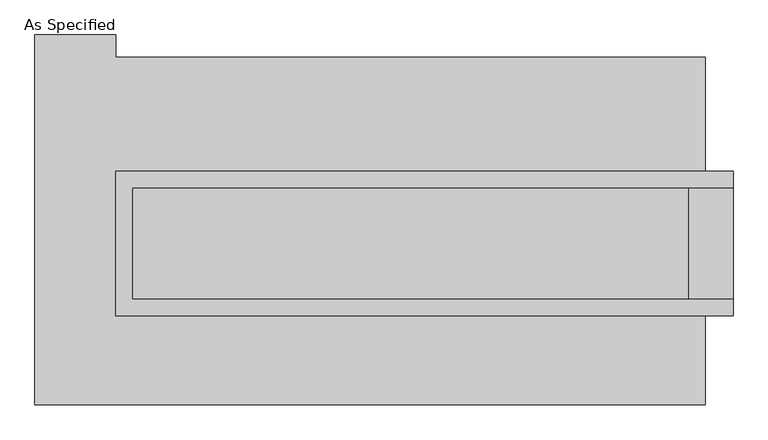
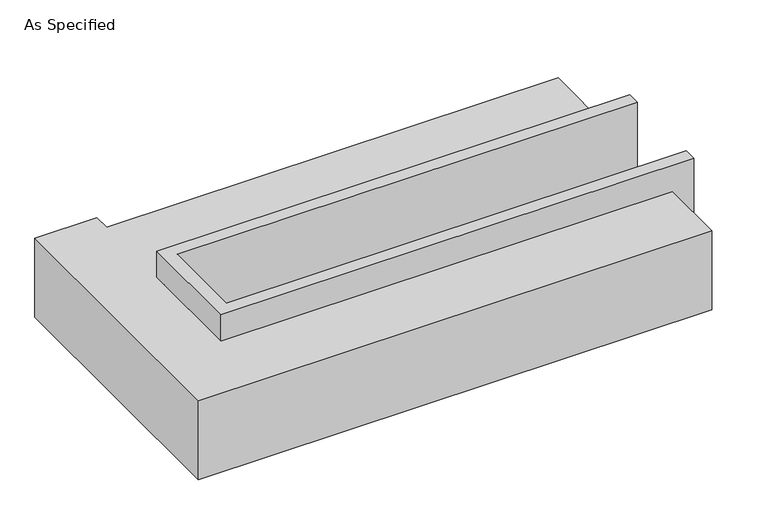
"""IFC4 building model written with IfcOpenShell, lengths in millimetres: proxy geometry, As Specified."""

from ifc_helpers import new_model, si_unit, origin, place, context, project, spatial, faceted_brep, source, transform, mapped, element, save


def as_specified_915f144d(model_context):
    return source(origin(), model_context, "Body", "Brep", [
        faceted_brep([(-1263.65, 273.05, 139.7), (-1263.65, 273.05, -393.7), (-1263.65, 196.85, -393.7), (-1263.65, 196.85, -25.4), (-1263.65, -311.15, -25.4), (-1263.65, -311.15, -393.7), (-1263.65, -387.35, -393.7), (-1263.65, -387.35, 139.7), (1555.75, 196.85, 139.7), (1555.75, 196.85, -317.5), (1555.75, -311.15, -317.5), (1555.75, -311.15, 139.7), (1555.75, -387.35, 139.7), (1555.75, -387.35, -393.7), (1555.75, 273.05, -393.7), (1555.75, 273.05, 139.7), (-1187.45, -311.15, 139.7), (-1187.45, 196.85, 139.7), (1352.55, -311.15, -393.7), (1352.55, 196.85, -393.7), (1352.55, -311.15, -317.5), (-1187.45, -311.15, -25.4), (1352.55, 196.85, -317.5), (-1187.45, 196.85, -25.4)], [[[0, 1, 2, 3, 4, 5, 6, 7]], [[8, 9, 10, 11, 12, 13, 14, 15]], [[0, 7, 12, 11, 16, 17, 8, 15]], [[1, 0, 15, 14]], [[14, 13, 6, 5, 18, 19, 2, 1]], [[7, 6, 13, 12]], [[11, 10, 20, 18, 5, 4, 21, 16]], [[10, 9, 22, 20]], [[9, 8, 17, 23, 3, 2, 19, 22]], [[18, 20, 22, 19]], [[23, 21, 4, 3]], [[17, 16, 21, 23]]]),
        faceted_brep([(1428.75, -793.75, -523.9742188), (-1631.95, -793.75, -523.9742188), (-1631.95, 895.35, -523.9742188), (-1263.65, 895.35, -523.9742188), (-1263.65, 793.75, -523.9742188), (1428.75, 793.75, -523.9742188), (-1631.95, -793.75, -25.4), (1428.75, -793.75, -25.4), (1428.75, -387.35, -25.4), (-1263.65, -387.35, -25.4), (-1263.65, 273.05, -25.4), (1428.75, 273.05, -25.4), (1428.75, 793.75, -25.4), (-1263.65, 793.75, -25.4), (-1263.65, 895.35, -25.4), (-1631.95, 895.35, -25.4), (1428.75, 273.05, -393.7), (1428.75, -387.35, -393.7), (-1263.65, -387.35, -393.7), (-1263.65, 273.05, -393.7)], [[[0, 1, 2, 3, 4, 5]], [[6, 7, 8, 9, 10, 11, 12, 13, 14, 15]], [[12, 5, 4, 13]], [[2, 1, 6, 15]], [[5, 12, 11, 16, 17, 8, 7, 0]], [[1, 0, 7, 6]], [[18, 19, 10, 9]], [[10, 19, 16, 11]], [[19, 18, 17, 16]], [[18, 9, 8, 17]], [[3, 2, 15, 14]], [[4, 3, 14, 13]]]),
    ])


if __name__ == "__main__":
    model = new_model("IFC4")
    model_context = context("Model", 3, world=origin())
    ifc_project = project(units=[si_unit("LENGTHUNIT", "METRE", prefix="MILLI")], contexts=[model_context])
    site = spatial("IfcSite", under=ifc_project)
    building = spatial("IfcBuilding", under=site)
    placement = place(None, origin())
    as_specified_shape = as_specified_915f144d(model_context)
    element("IfcBuildingElementProxy", 1, Name="As Specified", ObjectType="As Specified", at=placement, inside=building, context=model_context, shape_type="MappedRepresentation", body=[
        mapped(as_specified_shape, transform((0.0, 0.0, 0.0), x_axis=(1.0, 0.0, 0.0), y_axis=(0.0, 1.0, 0.0), z_axis=(0.0, 0.0, 1.0))),
    ])
    save(model, "model.ifc")
